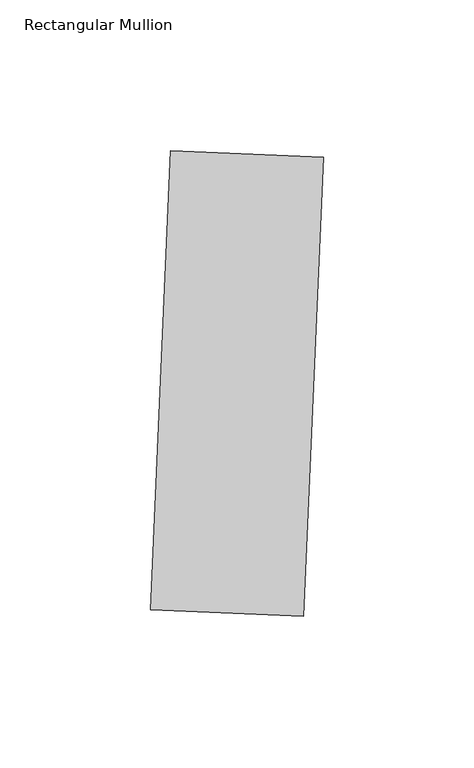
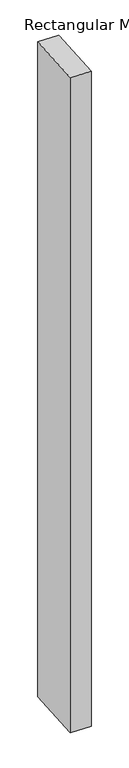
"""IFC4 building model written with IfcOpenShell, lengths in millimetres: member geometry, Rectangular Mullion."""

from ifc_helpers import new_model, si_unit, frame, origin, place, context, project, spatial, polyline, outline, extrude, source, transform, mapped, element, save


def rectangular_mullion_465778b2(model_context):
    return source(origin(), model_context, "Body", "SweptSolid", [
        extrude(outline(polyline([(19.9746542, -124.8150785), (-30.7769955, -122.5992136), (-24.1294008, 29.6557354), (26.6222488, 27.4398705), (19.9746542, -124.8150785)])), frame((0.0, 0.0, -1720.85), z_axis=(0.0, 0.0, 1.0), x_axis=(1.0, 0.0, 0.0)), (0.0, 0.0, 1.0), 1720.85),
    ])


if __name__ == "__main__":
    model = new_model("IFC4")
    model_context = context("Model", 3, world=origin())
    ifc_project = project(units=[si_unit("LENGTHUNIT", "METRE", prefix="MILLI")], contexts=[model_context])
    site = spatial("IfcSite", under=ifc_project)
    building = spatial("IfcBuilding", under=site)
    placement = place(None, origin())
    rectangular_mullion_shape = rectangular_mullion_465778b2(model_context)
    element("IfcMember", 1, ObjectType="Rectangular Mullion", at=placement, inside=building, context=model_context, shape_type="MappedRepresentation", body=[
        mapped(rectangular_mullion_shape, transform((0.0, 0.0, 0.0), x_axis=(1.0, 0.0, 0.0), y_axis=(0.0, 1.0, 0.0), z_axis=(0.0, 0.0, 1.0))),
    ])
    save(model, "model.ifc")
